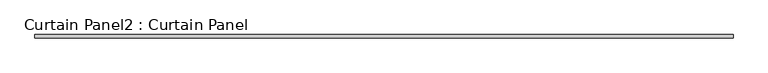
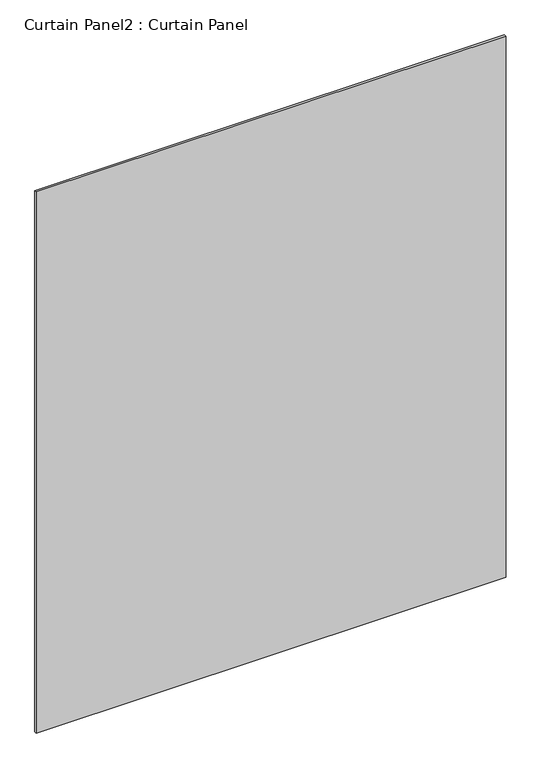
"""IFC4 building model written with IfcOpenShell, lengths in millimetres: plate geometry, Curtain Panel2 : Curtain Panel."""

from ifc_helpers import new_model, si_unit, frame, origin, place, context, project, spatial, polyline, outline, extrude, source, transform, mapped, element, save


def curtain_panel2_curtain_panel_7e97ebf7(model_context):
    return source(origin(), model_context, "Body", "SweptSolid", [
        extrude(outline(polyline([(-28214.4754508, -1987.9312974), (-29611.4754508, -1987.9312974), (-29611.4754508, -1981.5812974), (-28214.4754508, -1981.5812974), (-28214.4754508, -1987.9312974)])), frame((0.0, 0.0, 4592.8958116), z_axis=(0.0, 0.0, 1.0), x_axis=(1.0, 0.0, 0.0)), (0.0, 0.0, 1.0), 1701.2346538),
    ])


if __name__ == "__main__":
    model = new_model("IFC4")
    model_context = context("Model", 3, world=origin())
    ifc_project = project(units=[si_unit("LENGTHUNIT", "METRE", prefix="MILLI")], contexts=[model_context])
    site = spatial("IfcSite", under=ifc_project)
    building = spatial("IfcBuilding", under=site)
    placement = place(None, origin())
    curtain_panel2_curtain_panel_shape = curtain_panel2_curtain_panel_7e97ebf7(model_context)
    element("IfcPlate", 1, ObjectType="Curtain Panel2 : Curtain Panel", at=placement, inside=building, context=model_context, shape_type="MappedRepresentation", body=[
        mapped(curtain_panel2_curtain_panel_shape, transform((0.0, 0.0, 0.0), x_axis=(1.0, 0.0, 0.0), y_axis=(0.0, 1.0, 0.0), z_axis=(0.0, 0.0, 1.0))),
    ])
    save(model, "model.ifc")
